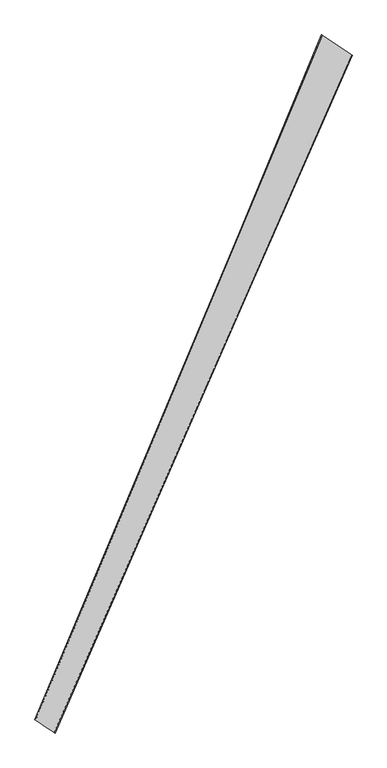
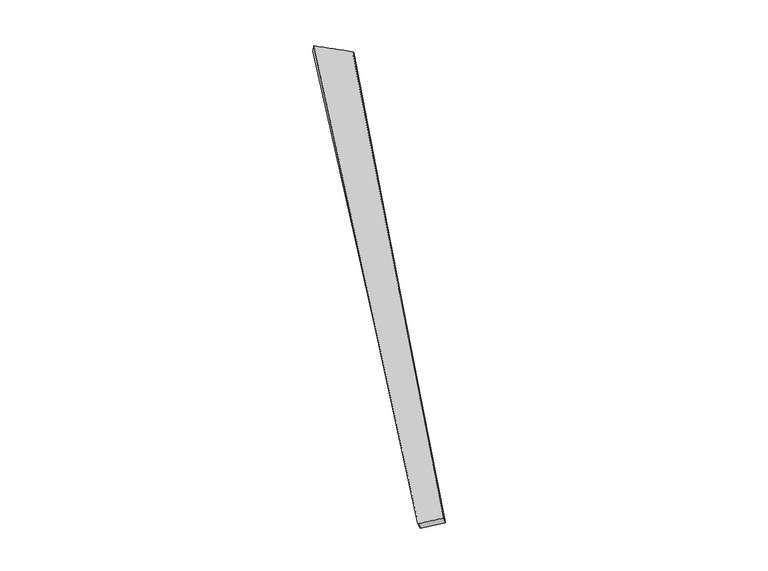
"""IFC4 building model written with IfcOpenShell, lengths in millimetres: proxy geometry."""

from ifc_helpers import new_model, si_unit, origin, place, context, project, spatial, source, transform, mapped, element, save
from ifc_brep_helpers import spline_surface, advanced_brep


def generic_models_f4aad24a(model_context):
    return source(origin(), model_context, "Body", "AdvancedBrep", [
        advanced_brep(
        [(-676.1081477, -1712.8073076, 21.222208), (-669.6727878, -1715.9158092, -7.9140814), (957.2499307, 2004.38646, -43.4591268), (960.7478368, 2003.1253325, -13.6904484), (-770.2333256, -1647.3322867, -48.5109924), (792.9564492, 2114.4474801, -15.9445041), (-781.8058292, -1642.719925, -21.2199081), (797.1661401, 2112.4019001, 13.6881486)],
        [
            (0, 1),
            (1, 2),
            (2, 3),
            (3, 0),
            (1, 4),
            (4, 5),
            (5, 2),
            (4, 6),
            (6, 7),
            (7, 5),
            (6, 0),
            (3, 7),
        ],
        [
            spline_surface(1, 1, [[(-676.1081477, -1712.8073076, 21.222208), (960.7478368, 2003.1253325, -13.6904484)], [(-669.6727878, -1715.9158092, -7.9140814), (957.2499307, 2004.38646, -43.4591268)]], [2, 2], [2, 2], [0.0, 1.0], [0.0, 1.0]),
            spline_surface(1, 1, [[(-669.6727878, -1715.9158092, -7.9140814), (957.2499307, 2004.38646, -43.4591268)], [(-770.2333256, -1647.3322867, -48.5109924), (792.9564492, 2114.4474801, -15.9445041)]], [2, 2], [2, 2], [0.0, 1.0], [0.0, 1.0]),
            spline_surface(1, 1, [[(-770.2333256, -1647.3322867, -48.5109924), (792.9564492, 2114.4474801, -15.9445041)], [(-781.8058292, -1642.719925, -21.2199081), (797.1661401, 2112.4019001, 13.6881486)]], [2, 2], [2, 2], [0.0, 1.0], [0.0, 1.0]),
            spline_surface(1, 1, [[(-781.8058292, -1642.719925, -21.2199081), (797.1661401, 2112.4019001, 13.6881486)], [(-676.1081477, -1712.8073076, 21.222208), (960.7478368, 2003.1253325, -13.6904484)]], [2, 2], [2, 2], [0.0, 1.0], [0.0, 1.0]),
            spline_surface(1, 1, [[(957.2499307, 2004.38646, -43.4591268), (960.7478368, 2003.1253325, -13.6904484)], [(792.9564492, 2114.4474801, -15.9445041), (797.1661401, 2112.4019001, 13.6881486)]], [2, 2], [2, 2], [0.0, 1.0], [0.0, 1.0]),
            spline_surface(1, 1, [[(-781.8058292, -1642.719925, -21.2199081), (-676.1081477, -1712.8073076, 21.222208)], [(-770.2333256, -1647.3322867, -48.5109924), (-669.6727878, -1715.9158092, -7.9140814)]], [2, 2], [2, 2], [0.0, 1.0], [0.0, 1.0]),
        ],
        [
            (0, [[1, 2, 3, 4]]),
            (1, [[5, 6, 7, -2]]),
            (2, [[8, 9, 10, -6]]),
            (3, [[11, -4, 12, -9]]),
            (4, [[-3, -7, -10, -12]]),
            (5, [[-11, -8, -5, -1]]),
        ],
    ),
    ])


if __name__ == "__main__":
    model = new_model("IFC4")
    model_context = context("Model", 3, world=origin())
    ifc_project = project(units=[si_unit("LENGTHUNIT", "METRE", prefix="MILLI")], contexts=[model_context])
    site = spatial("IfcSite", under=ifc_project)
    building = spatial("IfcBuilding", under=site)
    placement = place(None, origin())
    generic_models_shape = generic_models_f4aad24a(model_context)
    element("IfcBuildingElementProxy", 1, Name="Generic Models", at=placement, inside=building, context=model_context, shape_type="MappedRepresentation", body=[
        mapped(generic_models_shape, transform((0.0, 0.0, 0.0), x_axis=(1.0, 0.0, 0.0), y_axis=(0.0, 1.0, 0.0), z_axis=(0.0, 0.0, 1.0))),
    ])
    save(model, "model.ifc")
